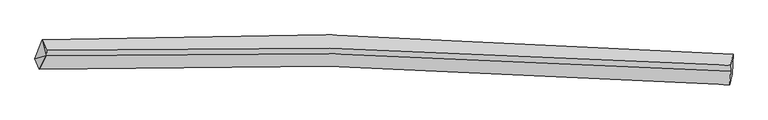
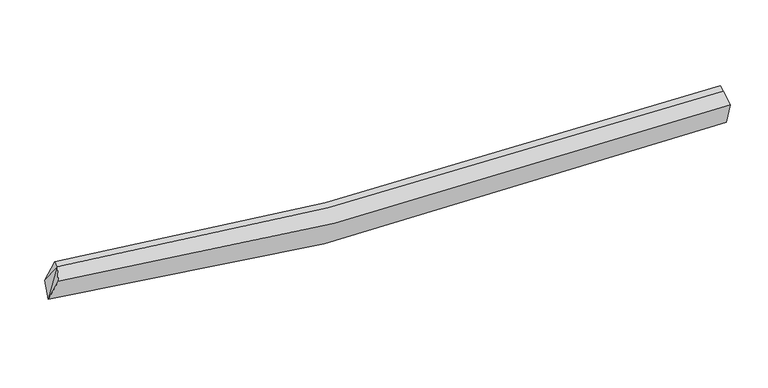
"""IFC4 building model written with IfcOpenShell, lengths in millimetres: proxy geometry."""

from ifc_helpers import new_model, si_unit, frame, origin, place, context, project, spatial, source, transform, mapped, element, save
from ifc_brep_helpers import plane_surface, spline_curve, spline_surface, advanced_brep


def generic_models_bd43498f(model_context):
    return source(origin(), model_context, "Body", "AdvancedBrep", [
        advanced_brep(
        [(-7995.9933201, -2056.0600831, 3286.1235511), (-7808.9072111, -1567.200731, 3458.624844), (9723.3346126, -1937.3268066, 2476.0950458), (9701.0075525, -2435.6947896, 2270.3501495), (-7879.6948784, -2317.6123576, 3907.0511151), (9644.6734664, -2713.4875893, 2949.3502821), (-7706.8708216, -1971.9024306, 4047.5381403), (9659.514547, -2367.156007, 3104.5300268), (-7700.8714774, -1837.9895441, 4102.8223758), (9666.134513, -2219.3900633, 3165.5333211)],
        [
            (0, 1),
            (1, 2, spline_curve(3, [(-7808.9072111, -1567.200731, 3458.624844), (-5431.830554224, -1461.898971075, 2946.156437897), (-3030.952519656, -1421.863274763, 2590.323778468), (2790.225232545, -1482.436415945, 2112.091222233), (6233.427805379, -1645.847471005, 2140.41394859), (9723.3346126, -1937.3268066, 2476.0950458)], [4, 2, 4], [0.0, 24.20075431813564, 58.10124501627246])),
            (2, 3),
            (3, 0, spline_curve(3, [(9701.0075525, -2435.6947896, 2270.3501495), (6256.319378104, -2139.415248484, 1928.663235707), (2813.254720697, -1972.925736483, 1901.6114108), (-3084.949428503, -1910.027364108, 2394.493531674), (-5540.885061875, -1949.971974519, 2760.136489891), (-7995.9933201, -2056.0600831, 3286.1235511)], [4, 2, 4], [0.0, 33.90049069813682, 58.10124501627246])),
            (4, 0),
            (3, 5),
            (5, 4, spline_curve(3, [(9644.6734664, -2713.4875893, 2949.3502821), (6260.801029167, -2443.559007684, 2664.892674841), (2862.658147783, -2286.202412202, 2655.088335884), (-2985.795917007, -2209.447135083, 3109.006618829), (-5429.109151155, -2234.845319839, 3438.044569035), (-7879.6948784, -2317.6123576, 3907.0511151)], [4, 2, 4], [0.0, 33.8789699912932, 58.06436118847249])),
            (6, 4),
            (5, 7),
            (7, 6, spline_curve(3, [(9659.514547, -2367.156007, 3104.5300268), (6240.890051528, -2123.199366571, 2886.496894599), (2846.199919256, -1976.731338691, 2902.692829613), (-2930.858253247, -1892.786684177, 3331.890290725), (-5324.963243745, -1907.503519615, 3630.030392776), (-7706.8708216, -1971.9024306, 4047.5381403)], [4, 2, 4], [0.0, 33.53369679787163, 57.47260567120972])),
            (8, 6),
            (7, 9),
            (9, 8, spline_curve(3, [(9666.134513, -2219.3900633, 3165.5333211), (6247.347992449, -1979.050017488, 2946.007122932), (2852.519944128, -1835.660446362, 2960.932157476), (-2924.733278925, -1756.069585949, 3388.332209128), (-5318.907228145, -1772.325649759, 3685.836860092), (-7700.8714774, -1837.9895441, 4102.8223758)], [4, 2, 4], [0.0, 33.37061314973115, 57.19310048400964])),
            (1, 8),
            (9, 2),
            (1, 6),
            (6, 0),
        ],
        [
            spline_surface(3, 3, [[(-7995.9933201, -2056.0600831, 3286.1235511), (-5540.885062158, -1949.971974121, 2760.13648989), (-3084.949428581, -1910.027364075, 2394.493531529), (2813.254720806, -1972.925736529, 1901.611411003), (6256.319378076, -2139.41524873, 1928.663235497), (9701.0075525, -2435.6947896, 2270.3501495)], [(-7933.631283772, -1893.106965729, 3343.623982068), (-5504.533559408, -1787.280973234, 2822.143139237), (-3066.950458804, -1747.306001027, 2459.770280588), (2805.578224545, -1809.429296278, 1971.771347977), (6248.688853801, -1974.892656092, 1999.246806459), (9708.449905865, -2269.572128581, 2338.931781569)], [(-7871.269247428, -1730.153848371, 3401.124413032), (-5468.182056643, -1624.589972361, 2884.149788581), (-3048.951489047, -1584.584637951, 2525.047029637), (2797.901728265, -1645.932856, 2041.93128494), (6241.058329533, -1810.370063511, 2069.830377515), (9715.892259235, -2103.449467619, 2407.513413731)], [(-7808.9072111, -1567.200731, 3458.624844), (-5431.830553892, -1461.898971474, 2946.156437928), (-3030.95251927, -1421.863274902, 2590.323778696), (2790.225232004, -1482.43641575, 2112.091221914), (6233.427805258, -1645.847470873, 2140.413948477), (9723.3346126, -1937.3268066, 2476.0950458)]], [4, 4], [4, 2, 4], [0.0, 1.7423744542599802], [0.0, 24.20075431813564, 58.10124501627246]),
            spline_surface(3, 3, [[(-7879.6948784, -2317.6123576, 3907.0511151), (-5429.109151443, -2234.845319962, 3438.044568712), (-2985.795917271, -2209.447135047, 3109.00661869), (2862.658148153, -2286.202412253, 2655.088336078), (6260.801028952, -2443.559007722, 2664.892675054), (9644.6734664, -2713.4875893, 2949.3502821)], [(-7918.461025637, -2230.428266113, 3700.075260462), (-5466.367788352, -2139.887538028, 3212.075209133), (-3018.847087714, -2109.640544718, 2870.835589651), (2846.190339031, -2181.776853673, 2403.929361068), (6259.307145351, -2342.177754737, 2419.482861874), (9663.451495125, -2620.889989413, 2723.016904573)], [(-7957.227172863, -2143.244174587, 3493.099405738), (-5503.62642525, -2044.929756055, 2986.105849469), (-3051.898258138, -2009.833954404, 2632.664560568), (2829.722529928, -2077.351295108, 2152.770386013), (6257.813261676, -2240.796501715, 2174.073048676), (9682.229523775, -2528.292389487, 2496.683527027)], [(-7995.9933201, -2056.0600831, 3286.1235511), (-5540.885062158, -1949.971974121, 2760.13648989), (-3084.949428581, -1910.027364075, 2394.493531529), (2813.254720806, -1972.925736529, 1901.611411003), (6256.319378076, -2139.41524873, 1928.663235497), (9701.0075525, -2435.6947896, 2270.3501495)]], [4, 4], [4, 2, 4], [0.0, 2.631952295391924], [0.0, 24.185391197179293, 58.06436118847249]),
            spline_surface(3, 3, [[(-7706.8708216, -1971.9024306, 4047.5381403), (-5324.963243648, -1907.503519789, 3630.030392654), (-2930.858253129, -1892.786684237, 3331.890290572), (2846.19991909, -1976.731338606, 2902.692829828), (6240.890051421, -2123.199366294, 2886.496894108), (9659.514547, -2367.156007, 3104.5300268)], [(-7764.478840524, -2087.139072909, 4000.709131872), (-5359.678546237, -2016.617453156, 3566.035117978), (-2949.170807861, -1998.340167831, 3257.595733269), (2851.685995426, -2079.888363146, 2820.157998569), (6247.527043913, -2229.98591342, 2812.6288211), (9654.567520115, -2482.59986775, 3052.803445243)], [(-7822.086859476, -2202.375715291, 3953.880123528), (-5394.393848854, -2125.731386595, 3502.039843388), (-2967.483362539, -2103.893651453, 3183.301175993), (2857.172071816, -2183.045387713, 2737.623167337), (6254.16403646, -2336.772460596, 2738.760748062), (9649.620493285, -2598.04372855, 3001.076863657)], [(-7879.6948784, -2317.6123576, 3907.0511151), (-5429.109151443, -2234.845319962, 3438.044568712), (-2985.795917271, -2209.447135047, 3109.00661869), (2862.658148153, -2286.202412253, 2655.088336078), (6260.801028952, -2443.559007722, 2664.892675054), (9644.6734664, -2713.4875893, 2949.3502821)]], [4, 4], [4, 2, 4], [0.0, 1.2876971836422046], [0.0, 23.938908873338097, 57.47260567120972]),
            spline_surface(3, 3, [[(-7700.8714774, -1837.9895441, 4102.8223758), (-5318.907227751, -1772.325649942, 3685.836860473), (-2924.733279191, -1756.069585752, 3388.332209425), (2852.519944501, -1835.660446638, 2960.932157059), (6247.347992715, -1979.050017249, 2946.007123209), (9666.134513, -2219.3900633, 3165.5333211)], [(-7702.871258797, -1882.627172939, 4084.394297303), (-5320.925899714, -1817.384939897, 3667.234704536), (-2926.774937147, -1801.6419519, 3369.518236494), (2850.413269387, -1882.68407728, 2941.519048002), (6245.195345615, -2027.099800278, 2926.170380163), (9663.927857665, -2268.645377881, 3145.198889655)], [(-7704.871040203, -1927.264801761, 4065.966218797), (-5322.944571685, -1862.444229834, 3648.632548591), (-2928.816595173, -1847.214318089, 3350.704263503), (2848.306594203, -1929.707707964, 2922.105938885), (6243.042698521, -2075.149583265, 2906.333637154), (9661.721202335, -2317.900692419, 3124.864458245)], [(-7706.8708216, -1971.9024306, 4047.5381403), (-5324.963243648, -1907.503519789, 3630.030392654), (-2930.858253129, -1892.786684237, 3331.890290572), (2846.19991909, -1976.731338606, 2902.692829828), (6240.890051421, -2123.199366294, 2886.496894108), (9659.514547, -2367.156007, 3104.5300268)]], [4, 4], [4, 2, 4], [0.0, 0.4961165133292808], [0.0, 23.82248733427849, 57.19310048400964]),
            spline_surface(3, 3, [[(-7808.9072111, -1567.200731, 3458.624844), (-5431.830553892, -1461.898971474, 2946.156437928), (-3030.95251927, -1421.863274902, 2590.323778696), (2790.225232004, -1482.43641575, 2112.091221914), (6233.427805258, -1645.847470873, 2140.413948477), (9723.3346126, -1937.3268066, 2476.0950458)], [(-7772.89529987, -1657.463668709, 3673.357354596), (-5394.189445182, -1565.374530973, 3192.716578773), (-2995.546105916, -1533.265378537, 2856.32658891), (2810.990136164, -1600.177759398, 2395.038200267), (6238.067867741, -1756.91498634, 2408.945006748), (9704.267912731, -2031.347892175, 2705.907804261)], [(-7736.88338863, -1747.726606391, 3888.089865204), (-5356.548336462, -1668.850090443, 3439.276719629), (-2960.139692545, -1644.667482117, 3122.329399211), (2831.755040341, -1717.91910299, 2677.985178707), (6242.707930232, -1867.982501782, 2677.476064938), (9685.201212869, -2125.368977725, 2935.720562639)], [(-7700.8714774, -1837.9895441, 4102.8223758), (-5318.907227751, -1772.325649942, 3685.836860473), (-2924.733279191, -1756.069585752, 3388.332209425), (2852.519944501, -1835.660446638, 2960.932157059), (6247.347992715, -1979.050017249, 2946.007123209), (9666.134513, -2219.3900633, 3165.5333211)]], [4, 4], [4, 2, 4], [0.0, 2.9515945265325336], [0.0, 23.953085010968074, 57.50663978580781]),
            plane_surface(frame((9678.9329383, -2334.6110511, 2793.1717651), z_axis=(0.9962059223938882, -0.0673727163957547, 0.05508790495925851), x_axis=(-0.03907624008499144, -0.9118834653009981, -0.4085848665472865))),
            plane_surface(frame((-7738.88317, -1792.3642352, 3869.6617867), z_axis=(-0.9873926081982527, -0.02055909468102067, 0.15694954890457175), x_axis=(0.1413612855143813, -0.5606740182873742, 0.8158808933755042))),
            plane_surface(frame((-7860.8530067, -2115.1916238, 3746.9042688), z_axis=(-0.8957353634060194, 0.324127932650527, 0.3043012356524075), x_axis=(0.17009424104547038, -0.38253767603180955, 0.9081480471703652))),
            plane_surface(frame((-7837.2571176, -1865.0544149, 3597.4288452), z_axis=(-0.9165985707567105, 0.237219371082666, 0.321829193936629), x_axis=(-0.3394607494993486, -0.8870170156829632, -0.31299714605444967))),
        ],
        [
            (0, [[1, 2, 3, 4]]),
            (1, [[5, -4, 6, 7]]),
            (2, [[8, -7, 9, 10]]),
            (3, [[11, -10, 12, 13]]),
            (4, [[14, -13, 15, -2]]),
            (5, [[-9, -6, -3, -15, -12]]),
            (6, [[16, -11, -14]]),
            (7, [[-5, -8, 17]]),
            (8, [[-1, -17, -16]]),
        ],
    ),
    ])


if __name__ == "__main__":
    model = new_model("IFC4")
    model_context = context("Model", 3, world=origin())
    ifc_project = project(units=[si_unit("LENGTHUNIT", "METRE", prefix="MILLI")], contexts=[model_context])
    site = spatial("IfcSite", under=ifc_project)
    building = spatial("IfcBuilding", under=site)
    placement = place(None, origin())
    generic_models_shape = generic_models_bd43498f(model_context)
    element("IfcBuildingElementProxy", 1, Name="Generic Models", at=placement, inside=building, context=model_context, shape_type="MappedRepresentation", body=[
        mapped(generic_models_shape, transform((0.0, 0.0, 0.0), x_axis=(1.0, 0.0, 0.0), y_axis=(0.0, 1.0, 0.0), z_axis=(0.0, 0.0, 1.0))),
    ])
    save(model, "model.ifc")
